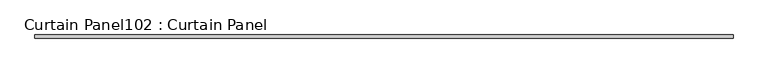
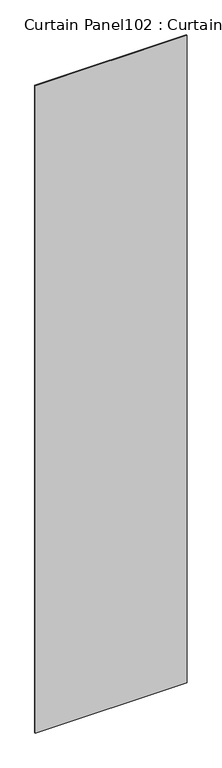
"""IFC4 building model written with IfcOpenShell, lengths in millimetres: plate geometry, Curtain Panel102 : Curtain Panel."""

from ifc_helpers import new_model, si_unit, frame, origin, place, context, project, spatial, polyline, outline, extrude, source, transform, mapped, element, save


def curtain_panel102_curtain_panel_03b7d734(model_context):
    return source(origin(), model_context, "Body", "SweptSolid", [
        extrude(outline(polyline([(221057.8151593, 2363.6484836), (219696.9386393, 2363.6484836), (219696.9386393, 2369.9984836), (221057.8151593, 2369.9984836), (221057.8151593, 2363.6484836)])), frame((0.0, 0.0, 4914.2249337), z_axis=(0.0, 0.0, 1.0), x_axis=(1.0, 0.0, 0.0)), (0.0, 0.0, 1.0), 6131.7153516),
    ])


if __name__ == "__main__":
    model = new_model("IFC4")
    model_context = context("Model", 3, world=origin())
    ifc_project = project(units=[si_unit("LENGTHUNIT", "METRE", prefix="MILLI")], contexts=[model_context])
    site = spatial("IfcSite", under=ifc_project)
    building = spatial("IfcBuilding", under=site)
    placement = place(None, origin())
    curtain_panel102_curtain_panel_shape = curtain_panel102_curtain_panel_03b7d734(model_context)
    element("IfcPlate", 1, ObjectType="Curtain Panel102 : Curtain Panel", at=placement, inside=building, context=model_context, shape_type="MappedRepresentation", body=[
        mapped(curtain_panel102_curtain_panel_shape, transform((0.0, 0.0, 0.0), x_axis=(1.0, 0.0, 0.0), y_axis=(0.0, 1.0, 0.0), z_axis=(0.0, 0.0, 1.0))),
    ])
    save(model, "model.ifc")
